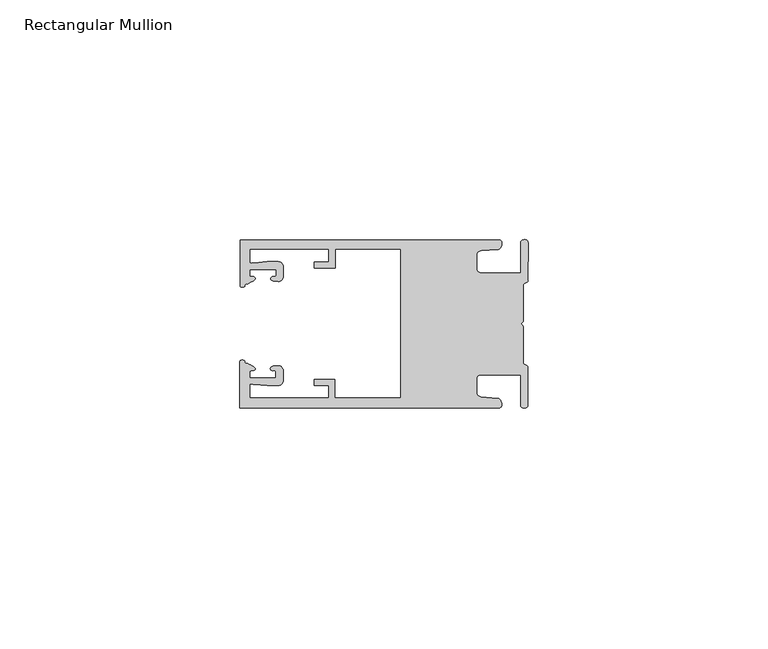
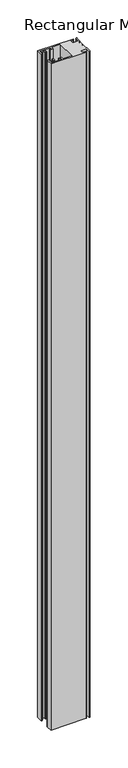
"""IFC4 building model written with IfcOpenShell, lengths in millimetres: member geometry, Rectangular Mullion."""

from ifc_helpers import new_model, si_unit, frame, origin, place, context, project, spatial, circle_curve, source, transform, mapped, element, save
from ifc_brep_helpers import plane_surface, cylinder_surface, extruded_surface, spline_curve, advanced_brep


def rectangular_mullion_0dcc9d94(model_context):
    return source(origin(), model_context, "Body", "AdvancedBrep", [
        advanced_brep(
        [(-60.0749377, 17.5111528, 0.0), (-60.0749377, 8.0140787, 0.0), (-59.3252567, 7.7187455, 0.0), (-58.4967974, 8.36785, 0.0), (-58.0726619, 10.1173923, 0.0), (-58.0713101, 11.3673916, 0.0), (-52.5713133, 11.3614437, 0.0), (-52.5726651, 10.1114444, 0.0), (-53.1427626, 8.8955539, 0.0), (-52.0740172, 8.8609044, 0.0), (-51.0729364, 9.8598224, 0.0), (-51.0706653, 11.9598211, 0.0), (-52.0700692, 12.9609024, 0.0), (-54.3905105, 12.9622843, 0.0), (-57.1599646, 12.7230061, 0.0), (-58.0696339, 12.9173907, 0.0), (-58.066768, 15.5673891, 0.0), (-41.5667584, 15.5673891, 0.0), (-41.5695894, 12.9495468, 0.0), (-44.5695877, 12.9527912, 0.0), (-44.5709936, 11.6527919, 0.0), (-40.2709961, 11.6481417, 0.0), (-40.2667576, 15.5673891, 0.0), (-26.6002952, 15.5673891, 0.0), (-26.6002952, -15.4518424, 0.0), (-40.3003032, -15.4518424, 0.0), (-40.2960856, -11.5518447, 0.0), (-44.5960831, -11.5471945, 0.0), (-44.597489, -12.8471938, 0.0), (-41.5974907, -12.8504381, 0.0), (-41.6003025, -15.4504366, 0.0), (-58.1002928, -15.4325927, 0.0), (-58.097427, -12.7825943, 0.0), (-57.1873395, -12.5901776, 0.0), (-54.4184094, -12.8354453, 0.0), (-52.0979705, -12.8390822, 0.0), (-51.0964037, -11.8401649, 0.0), (-51.0941327, -9.7401662, 0.0), (-52.0930507, -8.7390853, 0.0), (-53.1618685, -8.7714231, 0.0), (-52.5944022, -9.9885439, 0.0), (-52.595754, -11.2385431, 0.0), (-58.0957508, -11.2325952, 0.0), (-58.094399, -9.9825959, 0.0), (-58.5147494, -8.2321403, 0.0), (-59.3418028, -7.5812455, 0.0), (-60.0921208, -7.8749565, 0.0), (-60.0921208, -17.4888267, 0.0), (-6.1024861, -17.4888267, 0.0), (-6.5218639, -15.488372, 0.0), (-9.8784944, -15.2205466, 0.0), (-10.7989567, -14.2226333, 0.0), (-10.7961029, -11.5837474, 0.0), (-9.8734844, -10.5878272, 0.0), (-1.5950266, -10.5934991, 0.0), (-1.601948, -16.9936935, 0.0), (-0.1017194, -16.7830581, 0.0), (-0.0933208, -9.0170082, 0.0), (-1.0923837, -8.1499018, 0.0), (-1.0842165, -0.5977972, 0.0), (-1.0829111, 0.6093089, 0.0), (-1.0747439, 8.1614135, 0.0), (-0.0738079, 9.026357, 0.0), (-0.0654093, 16.7924069, 0.0), (-1.5651789, 17.0062866, 0.0), (-1.5651789, 10.6183257, 0.0), (-9.8505511, 10.6183257, 0.0), (-10.7710133, 11.6162391, 0.0), (-10.7681595, 14.255125, 0.0), (-9.845541, 15.2510452, 0.0), (-6.4883391, 15.5116099, 0.0), (-6.0646356, 17.5111528, 0.0), (-60.0749377, 17.5111528, -1075.5733037), (-6.0646356, 17.5111528, -1075.5733037), (-6.4883391, 15.5116099, -1075.5733037), (-9.845541, 15.2510452, -1075.5733037), (-10.7681595, 14.255125, -1075.5733037), (-10.7710133, 11.6162391, -1075.5733037), (-9.8505511, 10.6183257, -1075.5733037), (-1.5651789, 10.6183257, -1075.5733037), (-1.5651789, 17.0062866, -1075.5733037), (-0.0654093, 16.7924069, -1075.5733037), (-0.0738079, 9.026357, -1075.5733037), (-1.0747439, 8.1614135, -1075.5733037), (-1.0829111, 0.6093089, -1075.5733037), (-1.0842165, -0.5977972, -1075.5733037), (-1.0923837, -8.1499018, -1075.5733037), (-0.0933208, -9.0170082, -1075.5733037), (-0.1017194, -16.7830581, -1075.5733037), (-1.601948, -16.9936935, -1075.5733037), (-1.5950266, -10.5934991, -1075.5733037), (-9.8734844, -10.5878272, -1075.5733037), (-10.7961029, -11.5837474, -1075.5733037), (-10.7989567, -14.2226333, -1075.5733037), (-9.8784944, -15.2205466, -1075.5733037), (-6.5218639, -15.488372, -1075.5733037), (-6.1024861, -17.4888267, -1075.5733037), (-60.0921208, -17.4888267, -1075.5733037), (-60.0921208, -7.8749565, -1075.5733037), (-59.3418028, -7.5812455, -1075.5733037), (-58.5147494, -8.2321403, -1075.5733037), (-58.094399, -9.9825959, -1075.5733037), (-58.0957508, -11.2325952, -1075.5733037), (-52.595754, -11.2385431, -1075.5733037), (-52.5944022, -9.9885439, -1075.5733037), (-53.1618685, -8.7714231, -1075.5733037), (-52.0930507, -8.7390853, -1075.5733037), (-51.0941327, -9.7401662, -1075.5733037), (-51.0964037, -11.8401649, -1075.5733037), (-52.0979705, -12.8390823, -1075.5733037), (-54.4184094, -12.8354453, -1075.5733037), (-57.1873395, -12.5901776, -1075.5733037), (-58.097427, -12.7825943, -1075.5733037), (-58.1002928, -15.4325927, -1075.5733037), (-41.6003025, -15.4504366, -1075.5733037), (-41.5974907, -12.8504381, -1075.5733037), (-44.597489, -12.8471938, -1075.5733037), (-44.5960831, -11.5471945, -1075.5733037), (-40.2960856, -11.5518447, -1075.5733037), (-40.3003032, -15.4518424, -1075.5733037), (-26.6002952, -15.4518424, -1075.5733037), (-26.6002952, 15.5673891, -1075.5733037), (-40.2667576, 15.5673891, -1075.5733037), (-40.2709961, 11.6481417, -1075.5733037), (-44.5709936, 11.6527919, -1075.5733037), (-44.5695877, 12.9527912, -1075.5733037), (-41.5695894, 12.9495468, -1075.5733037), (-41.5667584, 15.5673891, -1075.5733037), (-58.066768, 15.5673891, -1075.5733037), (-58.0696339, 12.9173907, -1075.5733037), (-57.1599646, 12.7230061, -1075.5733037), (-54.3905105, 12.9622843, -1075.5733037), (-52.0700692, 12.9609023, -1075.5733037), (-51.0706653, 11.9598211, -1075.5733037), (-51.0729364, 9.8598224, -1075.5733037), (-52.0740172, 8.8609044, -1075.5733037), (-53.1427626, 8.8955539, -1075.5733037), (-52.5726651, 10.1114444, -1075.5733037), (-52.5713133, 11.3614437, -1075.5733037), (-58.0713101, 11.3673916, -1075.5733037), (-58.0726619, 10.1173923, -1075.5733037), (-58.4967974, 8.36785, -1075.5733037), (-59.3252567, 7.7187455, -1075.5733037), (-60.0749377, 8.0140787, -1075.5733037)],
        [
            (0, 1),
            (1, 2, spline_curve(3, [(-60.0749377, 8.0140787, 0.0), (-60.075233123, 7.740904774, 0.0), (-59.825339491, 7.642460332, 0.0), (-59.3252567, 7.7187455, 0.0)], [4, 4], [0.0, 0.0019169337574178654])),
            (2, 3, spline_curve(3, [(-59.3252567, 7.7187455, 0.0), (-59.094460914, 7.75918372, 0.0), (-59.054835463, 7.902257199, 0.0), (-59.05559987, 8.233305614, 0.0), (-59.138729113, 8.4134359, 0.0), (-58.4967974, 8.36785, 0.0)], [4, 2, 4], [0.0, 0.0010199524164107188, 0.0024874514725970356])),
            (3, 4, spline_curve(3, [(-58.4967974, 8.36785, 0.0), (-57.022393378, 9.053435667, 0.0), (-56.827266887, 9.364828726, 0.0), (-56.982213078, 9.742623404, 0.0), (-57.177375211, 9.855581791, 0.0), (-57.697928101, 9.887955071, 0.0), (-57.997449153, 9.835475348, 0.0), (-58.0726619, 10.1173923, 0.0)], [4, 2, 2, 4], [0.0, 0.003269869179570428, 0.005490050486237203, 0.0073545767114364426])),
            (4, 5),
            (5, 6),
            (6, 7),
            (7, 8, spline_curve(3, [(-52.5726651, 10.1114444, 0.0), (-52.667195519, 9.760172042, 0.0), (-52.937094388, 9.861877724, 0.0), (-53.356237032, 9.895631753, 0.0), (-53.491940439, 9.811038713, 0.0), (-53.761900775, 9.511438033, 0.0), (-53.892893546, 9.278787104, 0.0), (-53.1427626, 8.8955539, 0.0)], [4, 2, 2, 4], [0.0, 0.001593963049934732, 0.0033360256320283306, 0.005339140673503943])),
            (8, 9),
            (9, 10, circle_curve(frame((-52.0729358, 9.8609038, 0.0), z_axis=(0.0, 0.0, 1.0), x_axis=(-0.0010814451158600304, -0.9999994152380598, 0.0)), 1.0)),
            (10, 11),
            (11, 12, circle_curve(frame((-52.0706647, 11.9609026, 0.0), z_axis=(0.0, 0.0, 1.0), x_axis=(-0.0010814451158600304, -0.9999994152380598, 0.0)), 1.0)),
            (12, 13),
            (13, 14),
            (14, 15, spline_curve(3, [(-57.1599646, 12.7230061, 0.0), (-57.631533854, 12.682262968, 0.0), (-58.018602985, 12.477800124, 0.0), (-58.0696339, 12.9173907, 0.0)], [4, 4], [0.0, 0.0014803385355886016])),
            (15, 16),
            (16, 17),
            (17, 18),
            (18, 19),
            (19, 20),
            (20, 21),
            (21, 22),
            (22, 23),
            (23, 24),
            (24, 25),
            (25, 26),
            (26, 27),
            (27, 28),
            (28, 29),
            (29, 30),
            (30, 31),
            (31, 32),
            (32, 33, spline_curve(3, [(-58.097427, -12.7825943, 0.0), (-58.045445419, -12.343115126, 0.0), (-57.658819528, -12.548414611, 0.0), (-57.1873395, -12.5901776, 0.0)], [4, 4], [0.0, 0.0014803385355886016])),
            (33, 34),
            (34, 35),
            (35, 36, circle_curve(frame((-52.0964031, -11.8390835, 0.0), z_axis=(0.0, 0.0, 1.0), x_axis=(0.0010814451158600304, 0.9999994152380598, 0.0)), 1.0)),
            (36, 37),
            (37, 38, circle_curve(frame((-52.0941321, -9.7390847, 0.0), z_axis=(0.0, 0.0, 1.0), x_axis=(0.0010814451158600304, 0.9999994152380598, 0.0)), 1.0)),
            (38, 39),
            (39, 40, spline_curve(3, [(-53.1618685, -8.7714231, 0.0), (-53.912826582, -9.153032958, 0.0), (-53.782337352, -9.385966711, 0.0), (-53.51302565, -9.686150585, 0.0), (-53.377505444, -9.771037009, 0.0), (-52.958290774, -9.738189618, 0.0), (-52.688172635, -9.637067904, 0.0), (-52.5944022, -9.9885439, 0.0)], [4, 2, 2, 4], [0.0, 0.002003115041475612, 0.0037451776235692107, 0.005339140673503943])),
            (40, 41),
            (41, 42),
            (42, 43),
            (43, 44, spline_curve(3, [(-58.094399, -9.9825959, 0.0), (-58.018576674, -9.700842284, 0.0), (-57.719169706, -9.753969703, 0.0), (-57.198548014, -9.722722397, 0.0), (-57.003142178, -9.61018632, 0.0), (-56.847379222, -9.232727657, 0.0), (-57.041831673, -8.920913336, 0.0), (-58.5147494, -8.2321403, 0.0)], [4, 2, 2, 4], [0.0, 0.0018645262251992395, 0.004084707531866015, 0.0073545767114364426])),
            (44, 45, spline_curve(3, [(-58.5147494, -8.2321403, 0.0), (-59.156778208, -8.276337666, 0.0), (-59.073259494, -8.096387681, 0.0), (-59.071779067, -7.765341694, 0.0), (-59.111095017, -7.622182811, 0.0), (-59.3418028, -7.5812455, 0.0)], [4, 2, 4], [0.0, 0.0014674990561863168, 0.0024874514725970356])),
            (45, 46, spline_curve(3, [(-59.3418028, -7.5812455, 0.0), (-59.841719425, -7.503878887, 0.0), (-60.091825377, -7.601782574, 0.0), (-60.0921208, -7.8749565, 0.0)], [4, 4], [0.0, 0.0019169337574178654])),
            (46, 47),
            (47, 48),
            (48, 49, spline_curve(3, [(-6.1024861, -17.4888267, 0.0), (-5.074532184, -17.418062188, 0.0), (-5.631140689, -15.411414367, 0.0), (-6.5218639, -15.488372, 0.0)], [4, 4], [0.0, 0.0043819361547461745])),
            (49, 50),
            (50, 51, spline_curve(3, [(-9.8784944, -15.2205466, 0.0), (-10.440691543, -15.150698463, 0.0), (-10.74751234, -14.818060727, 0.0), (-10.7989567, -14.2226333, 0.0)], [4, 4], [0.0, 0.0028645797420738927])),
            (51, 52),
            (52, 53, spline_curve(3, [(-10.7961029, -11.5837474, 0.0), (-10.743370817, -10.988432634, 0.0), (-10.435831301, -10.656459204, 0.0), (-9.8734844, -10.5878272, 0.0)], [4, 4], [0.0, 0.0028645797420738927])),
            (53, 54),
            (54, 55),
            (55, 56, spline_curve(3, [(-1.601948, -16.9936935, 0.0), (-1.655676874, -17.600261454, 0.0), (-0.043737403, -17.912795581, 0.0), (-0.1017194, -16.7830581, 0.0)], [4, 4], [0.0, 0.0036987374396357936])),
            (56, 57),
            (57, 58, spline_curve(3, [(-0.0933208, -9.0170082, 0.0), (-0.018818183, -8.695886697, 0.0), (-1.193434327, -8.459763043, 0.0), (-1.0923837, -8.1499018, 0.0)], [4, 4], [0.0, 0.002027216749630121])),
            (58, 59),
            (59, 60, spline_curve(3, [(-1.0842165, -0.5977972, 0.0), (-1.013223198, -0.445980437, 0.0), (-1.487945123, -0.206736825, 0.0), (-1.487409651, 0.231097965, 0.0), (-0.999110985, 0.429090391, 0.0), (-1.0829111, 0.6093089, 0.0)], [4, 2, 4], [0.0, 0.00249866671847065, 0.005031402919736269])),
            (60, 61),
            (61, 62, spline_curve(3, [(-1.0747439, 8.1614135, 0.0), (-1.175124095, 8.47149258, 0.0), (-7e-09, 8.705075107, 0.0), (-0.0738079, 9.026357, 0.0)], [4, 4], [0.0, 0.002027216749630121])),
            (62, 63),
            (63, 64, spline_curve(3, [(-0.0654093, 16.7924069, 0.0), (-0.004983942, 17.92201633, 0.0), (-1.617595709, 17.612969344, 0.0), (-1.5651789, 17.0062866, 0.0)], [4, 4], [0.0, 0.0036987374396357936])),
            (64, 65),
            (65, 66),
            (66, 67, spline_curve(3, [(-9.8505511, 10.6183257, 0.0), (-10.412748243, 10.688173837, 0.0), (-10.71956894, 11.020811673, 0.0), (-10.7710133, 11.6162391, 0.0)], [4, 4], [0.0, 0.0028645797420738927])),
            (67, 68),
            (68, 69, spline_curve(3, [(-10.7681595, 14.255125, 0.0), (-10.715427417, 14.850439766, 0.0), (-10.407887901, 15.182413196, 0.0), (-9.845541, 15.2510452, 0.0)], [4, 4], [0.0, 0.0028645797420738927])),
            (69, 70),
            (70, 71, spline_curve(3, [(-6.4883391, 15.5116099, 0.0), (-5.597784423, 15.432725911, 0.0), (-5.036837144, 17.438165103, 0.0), (-6.0646356, 17.5111528, 0.0)], [4, 4], [0.0, 0.0043819361547461745])),
            (71, 0),
            (72, 73),
            (73, 74, spline_curve(3, [(-6.0646356, 17.5111528, -1075.5733037), (-5.036837144, 17.438165103, -1075.5733037), (-5.597784423, 15.432725911, -1075.5733037), (-6.4883391, 15.5116099, -1075.5733037)], [4, 4], [0.0, 0.0043819361547461745])),
            (74, 75),
            (75, 76, spline_curve(3, [(-9.845541, 15.2510452, -1075.5733037), (-10.407887901, 15.182413196, -1075.5733037), (-10.715427417, 14.850439766, -1075.5733037), (-10.7681595, 14.255125, -1075.5733037)], [4, 4], [0.0, 0.0028645797420738927])),
            (76, 77),
            (77, 78, spline_curve(3, [(-10.7710133, 11.6162391, -1075.5733037), (-10.71956894, 11.020811673, -1075.5733037), (-10.412748243, 10.688173837, -1075.5733037), (-9.8505511, 10.6183257, -1075.5733037)], [4, 4], [0.0, 0.0028645797420738927])),
            (78, 79),
            (79, 80),
            (80, 81, spline_curve(3, [(-1.5651789, 17.0062866, -1075.5733037), (-1.617595709, 17.612969344, -1075.5733037), (-0.004983942, 17.92201633, -1075.5733037), (-0.0654093, 16.7924069, -1075.5733037)], [4, 4], [0.0, 0.0036987374396357936])),
            (81, 82),
            (82, 83, spline_curve(3, [(-0.0738079, 9.026357, -1075.5733037), (-7e-09, 8.705075107, -1075.5733037), (-1.175124095, 8.47149258, -1075.5733037), (-1.0747439, 8.1614135, -1075.5733037)], [4, 4], [0.0, 0.002027216749630121])),
            (83, 84),
            (84, 85, spline_curve(3, [(-1.0829111, 0.6093089, -1075.5733037), (-0.999110985, 0.429090391, -1075.5733037), (-1.487409651, 0.231097965, -1075.5733037), (-1.487945123, -0.206736825, -1075.5733037), (-1.013223198, -0.445980437, -1075.5733037), (-1.0842165, -0.5977972, -1075.5733037)], [4, 2, 4], [0.0, 0.002532736201265619, 0.005031402919736269])),
            (85, 86),
            (86, 87, spline_curve(3, [(-1.0923837, -8.1499018, -1075.5733037), (-1.193434327, -8.459763043, -1075.5733037), (-0.018818183, -8.695886697, -1075.5733037), (-0.0933208, -9.0170082, -1075.5733037)], [4, 4], [0.0, 0.002027216749630121])),
            (87, 88),
            (88, 89, spline_curve(3, [(-0.1017194, -16.7830581, -1075.5733037), (-0.043737403, -17.912795581, -1075.5733037), (-1.655676874, -17.600261454, -1075.5733037), (-1.601948, -16.9936935, -1075.5733037)], [4, 4], [0.0, 0.0036987374396357936])),
            (89, 90),
            (90, 91),
            (91, 92, spline_curve(3, [(-9.8734844, -10.5878272, -1075.5733037), (-10.435831301, -10.656459204, -1075.5733037), (-10.743370817, -10.988432634, -1075.5733037), (-10.7961029, -11.5837474, -1075.5733037)], [4, 4], [0.0, 0.0028645797420738927])),
            (92, 93),
            (93, 94, spline_curve(3, [(-10.7989567, -14.2226333, -1075.5733037), (-10.74751234, -14.818060727, -1075.5733037), (-10.440691543, -15.150698463, -1075.5733037), (-9.8784944, -15.2205466, -1075.5733037)], [4, 4], [0.0, 0.0028645797420738927])),
            (94, 95),
            (95, 96, spline_curve(3, [(-6.5218639, -15.488372, -1075.5733037), (-5.631140689, -15.411414367, -1075.5733037), (-5.074532184, -17.418062188, -1075.5733037), (-6.1024861, -17.4888267, -1075.5733037)], [4, 4], [0.0, 0.0043819361547461745])),
            (96, 97),
            (97, 98),
            (98, 99, spline_curve(3, [(-60.0921208, -7.8749565, -1075.5733037), (-60.091825377, -7.601782574, -1075.5733037), (-59.841719425, -7.503878887, -1075.5733037), (-59.3418028, -7.5812455, -1075.5733037)], [4, 4], [0.0, 0.0019169337574178654])),
            (99, 100, spline_curve(3, [(-59.3418028, -7.5812455, -1075.5733037), (-59.111095017, -7.622182811, -1075.5733037), (-59.071779067, -7.765341694, -1075.5733037), (-59.073259494, -8.096387681, -1075.5733037), (-59.156778208, -8.276337666, -1075.5733037), (-58.5147494, -8.2321403, -1075.5733037)], [4, 2, 4], [0.0, 0.0010199524164107188, 0.0024874514725970356])),
            (100, 101, spline_curve(3, [(-58.5147494, -8.2321403, -1075.5733037), (-57.041831673, -8.920913336, -1075.5733037), (-56.847379222, -9.232727657, -1075.5733037), (-57.003142178, -9.61018632, -1075.5733037), (-57.198548014, -9.722722397, -1075.5733037), (-57.719169706, -9.753969703, -1075.5733037), (-58.018576674, -9.700842284, -1075.5733037), (-58.094399, -9.9825959, -1075.5733037)], [4, 2, 2, 4], [0.0, 0.003269869179570428, 0.005490050486237203, 0.0073545767114364426])),
            (101, 102),
            (102, 103),
            (103, 104),
            (104, 105, spline_curve(3, [(-52.5944022, -9.9885439, -1075.5733037), (-52.688172635, -9.637067904, -1075.5733037), (-52.958290774, -9.738189618, -1075.5733037), (-53.377505444, -9.771037009, -1075.5733037), (-53.51302565, -9.686150585, -1075.5733037), (-53.782337352, -9.385966711, -1075.5733037), (-53.912826582, -9.153032958, -1075.5733037), (-53.1618685, -8.7714231, -1075.5733037)], [4, 2, 2, 4], [0.0, 0.001593963049934732, 0.0033360256320283306, 0.005339140673503943])),
            (105, 106),
            (106, 107, circle_curve(frame((-52.0941321, -9.7390847, -1075.5733037), z_axis=(0.0, 0.0, -1.0), x_axis=(0.0010814451158600304, 0.9999994152380598, 0.0)), 1.0)),
            (107, 108),
            (108, 109, circle_curve(frame((-52.0964031, -11.8390835, -1075.5733037), z_axis=(0.0, 0.0, -1.0), x_axis=(0.0010814451158600304, 0.9999994152380598, 0.0)), 1.0)),
            (109, 110),
            (110, 111),
            (111, 112, spline_curve(3, [(-57.1873395, -12.5901776, -1075.5733037), (-57.658819528, -12.548414611, -1075.5733037), (-58.045445419, -12.343115126, -1075.5733037), (-58.097427, -12.7825943, -1075.5733037)], [4, 4], [0.0, 0.0014803385355886016])),
            (112, 113),
            (113, 114),
            (114, 115),
            (115, 116),
            (116, 117),
            (117, 118),
            (118, 119),
            (119, 120),
            (120, 121),
            (121, 122),
            (122, 123),
            (123, 124),
            (124, 125),
            (125, 126),
            (126, 127),
            (127, 128),
            (128, 129),
            (129, 130, spline_curve(3, [(-58.0696339, 12.9173907, -1075.5733037), (-58.018602985, 12.477800124, -1075.5733037), (-57.631533854, 12.682262968, -1075.5733037), (-57.1599646, 12.7230061, -1075.5733037)], [4, 4], [0.0, 0.0014803385355886016])),
            (130, 131),
            (131, 132),
            (132, 133, circle_curve(frame((-52.0706647, 11.9609026, -1075.5733037), z_axis=(0.0, 0.0, -1.0), x_axis=(-0.0010814451158600304, -0.9999994152380598, 0.0)), 1.0)),
            (133, 134),
            (134, 135, circle_curve(frame((-52.0729358, 9.8609038, -1075.5733037), z_axis=(0.0, 0.0, -1.0), x_axis=(-0.0010814451158600304, -0.9999994152380598, 0.0)), 1.0)),
            (135, 136),
            (136, 137, spline_curve(3, [(-53.1427626, 8.8955539, -1075.5733037), (-53.892893546, 9.278787104, -1075.5733037), (-53.761900775, 9.511438033, -1075.5733037), (-53.491940439, 9.811038713, -1075.5733037), (-53.356237032, 9.895631753, -1075.5733037), (-52.937094388, 9.861877724, -1075.5733037), (-52.667195519, 9.760172042, -1075.5733037), (-52.5726651, 10.1114444, -1075.5733037)], [4, 2, 2, 4], [0.0, 0.002003115041475612, 0.0037451776235692107, 0.005339140673503943])),
            (137, 138),
            (138, 139),
            (139, 140),
            (140, 141, spline_curve(3, [(-58.0726619, 10.1173923, -1075.5733037), (-57.997449153, 9.835475348, -1075.5733037), (-57.697928101, 9.887955071, -1075.5733037), (-57.177375211, 9.855581791, -1075.5733037), (-56.982213078, 9.742623404, -1075.5733037), (-56.827266887, 9.364828726, -1075.5733037), (-57.022393378, 9.053435667, -1075.5733037), (-58.4967974, 8.36785, -1075.5733037)], [4, 2, 2, 4], [0.0, 0.0018645262251992395, 0.004084707531866015, 0.0073545767114364426])),
            (141, 142, spline_curve(3, [(-58.4967974, 8.36785, -1075.5733037), (-59.138729113, 8.4134359, -1075.5733037), (-59.05559987, 8.233305614, -1075.5733037), (-59.054835463, 7.902257199, -1075.5733037), (-59.094460914, 7.75918372, -1075.5733037), (-59.3252567, 7.7187455, -1075.5733037)], [4, 2, 4], [0.0, 0.0014674990561863168, 0.0024874514725970356])),
            (142, 143, spline_curve(3, [(-59.3252567, 7.7187455, -1075.5733037), (-59.825339491, 7.642460332, -1075.5733037), (-60.075233123, 7.740904774, -1075.5733037), (-60.0749377, 8.0140787, -1075.5733037)], [4, 4], [0.0, 0.0019169337574178654])),
            (143, 72),
            (0, 72),
            (143, 1),
            (142, 2),
            (141, 3),
            (140, 4),
            (139, 5),
            (138, 6),
            (137, 7),
            (136, 8),
            (135, 9),
            (134, 10),
            (133, 11),
            (132, 12),
            (131, 13),
            (130, 14),
            (129, 15),
            (128, 16),
            (127, 17),
            (126, 18),
            (125, 19),
            (124, 20),
            (123, 21),
            (122, 22),
            (121, 23),
            (120, 24),
            (119, 25),
            (118, 26),
            (117, 27),
            (116, 28),
            (115, 29),
            (114, 30),
            (113, 31),
            (112, 32),
            (111, 33),
            (110, 34),
            (109, 35),
            (108, 36),
            (107, 37),
            (106, 38),
            (105, 39),
            (104, 40),
            (103, 41),
            (102, 42),
            (101, 43),
            (100, 44),
            (99, 45),
            (98, 46),
            (97, 47),
            (96, 48),
            (95, 49),
            (94, 50),
            (93, 51),
            (92, 52),
            (91, 53),
            (90, 54),
            (89, 55),
            (88, 56),
            (87, 57),
            (86, 58),
            (85, 59),
            (84, 60),
            (83, 61),
            (82, 62),
            (81, 63),
            (80, 64),
            (79, 65),
            (78, 66),
            (77, 67),
            (76, 68),
            (75, 69),
            (74, 70),
            (73, 71),
        ],
        [
            plane_surface(frame((0.0, -62.5853181, 0.0), z_axis=(0.0, 0.0, 1.0), x_axis=(-1.0, 0.0, 0.0))),
            plane_surface(frame((0.0, -62.5853181, -1075.5733037), z_axis=(0.0, 0.0, -1.0), x_axis=(-1.0, 0.0, 0.0))),
            plane_surface(frame((-60.0749377, 17.5111528, 0.0), z_axis=(-1.0, 0.0, 0.0), x_axis=(0.0, 0.0, -1.0))),
            extruded_surface(spline_curve(3, [(-60.0749377, 8.0140787, -1075.5733037), (-60.075233123, 7.740904774, -1075.5733037), (-59.825339491, 7.642460332, -1075.5733037), (-59.3252567, 7.7187455, -1075.5733037)], [4, 4], [0.0, 0.0019169337574178654]), (0.0, 0.0, 1075.5733037), 1075.5733037),
            extruded_surface(spline_curve(3, [(-59.3252567, 7.7187455, -1075.5733037), (-59.094460914, 7.75918372, -1075.5733037), (-59.054835463, 7.902257199, -1075.5733037), (-59.05559987, 8.233305614, -1075.5733037), (-59.138729113, 8.4134359, -1075.5733037), (-58.4967974, 8.36785, -1075.5733037)], [4, 2, 4], [0.0, 0.0010199524164107188, 0.0024874514725970356]), (0.0, 0.0, 1075.5733037), 1075.5733037),
            extruded_surface(spline_curve(3, [(-58.4967974, 8.36785, -1075.5733037), (-57.022393378, 9.053435667, -1075.5733037), (-56.827266887, 9.364828726, -1075.5733037), (-56.982213078, 9.742623404, -1075.5733037), (-57.177375211, 9.855581791, -1075.5733037), (-57.697928101, 9.887955071, -1075.5733037), (-57.997449153, 9.835475348, -1075.5733037), (-58.0726619, 10.1173923, -1075.5733037)], [4, 2, 2, 4], [0.0, 0.003269869179570428, 0.005490050486237203, 0.0073545767114364426]), (0.0, 0.0, 1075.5733037), 1075.5733037),
            plane_surface(frame((-58.0726619, 10.1173923, 0.0), z_axis=(0.9999994152380598, -0.0010814451158634145, 0.0), x_axis=(0.0, 0.0, -1.0))),
            plane_surface(frame((-58.0713101, 11.3673916, 0.0), z_axis=(-0.0010814451158616418, -0.9999994152380598, 0.0), x_axis=(0.0, 0.0, -1.0))),
            plane_surface(frame((-52.5713133, 11.3614437, 0.0), z_axis=(-0.9999994152380598, 0.0010814451158643293, 0.0), x_axis=(0.0, 0.0, -1.0))),
            extruded_surface(spline_curve(3, [(-52.5726651, 10.1114444, -1075.5733037), (-52.667195519, 9.760172042, -1075.5733037), (-52.937094388, 9.861877724, -1075.5733037), (-53.356237032, 9.895631753, -1075.5733037), (-53.491940439, 9.811038713, -1075.5733037), (-53.761900775, 9.511438033, -1075.5733037), (-53.892893546, 9.278787104, -1075.5733037), (-53.1427626, 8.8955539, -1075.5733037)], [4, 2, 2, 4], [0.0, 0.001593963049934732, 0.0033360256320283306, 0.005339140673503943]), (0.0, 0.0, 1075.5733037), 1075.5733037),
            plane_surface(frame((-53.1427626, 8.8955539, 0.0), z_axis=(-0.032403661401520414, -0.9994748634797054, 0.0), x_axis=(0.0, 0.0, -1.0))),
            cylinder_surface(frame((-52.0729358, 9.8609038, 0.0), z_axis=(0.0, 0.0, 1.0000000000000002), x_axis=(-0.0010814451158600304, -0.9999994152380598, 0.0)), 1.0),
            plane_surface(frame((-51.0729364, 9.8598224, 0.0), z_axis=(0.9999994152380598, -0.001081445115864059, 0.0), x_axis=(0.0, 0.0, -1.0))),
            cylinder_surface(frame((-52.0706647, 11.9609026, 0.0), z_axis=(0.0, 0.0, 1.0000000000000002), x_axis=(-0.0010814451158600304, -0.9999994152380598, 0.0)), 1.0),
            plane_surface(frame((-52.0700692, 12.9609023, 0.0), z_axis=(0.0005955716436318007, 0.999999822647193, 0.0), x_axis=(0.0, 0.0, -1.0))),
            plane_surface(frame((-54.3905105, 12.9622843, 0.0), z_axis=(-0.08607836189159865, 0.9962883697073147, 0.0), x_axis=(0.0, 0.0, -1.0))),
            extruded_surface(spline_curve(3, [(-57.1599646, 12.7230061, -1075.5733037), (-57.631533854, 12.682262968, -1075.5733037), (-58.018602985, 12.477800124, -1075.5733037), (-58.0696339, 12.9173907, -1075.5733037)], [4, 4], [0.0, 0.0014803385355886016]), (0.0, 0.0, 1075.5733037), 1075.5733037),
            plane_surface(frame((-58.0696339, 12.9173907, 0.0), z_axis=(0.9999994152380598, -0.0010814451158629996, 0.0), x_axis=(0.0, 0.0, -1.0))),
            plane_surface(frame((-58.066768, 15.5673891, 0.0), z_axis=(0.0, -1.0, 0.0), x_axis=(0.0, 0.0, -1.0))),
            plane_surface(frame((-41.5667584, 15.5673891, 0.0), z_axis=(-0.9999994152380598, 0.0010814451158636304, 0.0), x_axis=(0.0, 0.0, -1.0))),
            plane_surface(frame((-41.5695894, 12.9495468, 0.0), z_axis=(0.0010814451158615687, 0.9999994152380598, 0.0), x_axis=(0.0, 0.0, -1.0))),
            plane_surface(frame((-44.5695877, 12.9527912, 0.0), z_axis=(-0.9999994152380598, 0.0010814451158626742, 0.0), x_axis=(0.0, 0.0, -1.0))),
            plane_surface(frame((-44.5709936, 11.6527919, 0.0), z_axis=(-0.001081445115861604, -0.9999994152380598, 0.0), x_axis=(0.0, 0.0, -1.0))),
            plane_surface(frame((-40.2709961, 11.6481417, 0.0), z_axis=(0.9999994152380598, -0.001081445115863507, 0.0), x_axis=(0.0, 0.0, -1.0))),
            plane_surface(frame((-40.2667576, 15.5673891, 0.0), z_axis=(0.0, -1.0, 0.0), x_axis=(0.0, 0.0, -1.0))),
            plane_surface(frame((-26.6002952, 15.5673891, 0.0), z_axis=(-1.0, 0.0, 0.0), x_axis=(0.0, 0.0, -1.0))),
            plane_surface(frame((-26.6002952, -15.4518424, 0.0), z_axis=(0.0, 1.0, 0.0), x_axis=(0.0, 0.0, -1.0))),
            plane_surface(frame((-40.3003032, -15.4518424, 0.0), z_axis=(0.9999994152380598, -0.0010814451158565538, 0.0), x_axis=(0.0, 0.0, -1.0))),
            plane_surface(frame((-40.2960856, -11.5518447, 0.0), z_axis=(0.0010814451158584568, 0.9999994152380598, 0.0), x_axis=(0.0, 0.0, -1.0))),
            plane_surface(frame((-44.5960831, -11.5471945, 0.0), z_axis=(-0.9999994152380598, 0.0010814451158573867, 0.0), x_axis=(0.0, 0.0, -1.0))),
            plane_surface(frame((-44.597489, -12.8471938, 0.0), z_axis=(-0.0010814451158584922, -0.9999994152380598, 0.0), x_axis=(0.0, 0.0, -1.0))),
            plane_surface(frame((-41.5974907, -12.8504381, 0.0), z_axis=(-0.9999994152380598, 0.0010814451158564305, 0.0), x_axis=(0.0, 0.0, -1.0))),
            plane_surface(frame((-41.6003025, -15.4504366, 0.0), z_axis=(0.0010814451158583872, 0.9999994152380598, 0.0), x_axis=(0.0, 0.0, -1.0))),
            plane_surface(frame((-58.1002928, -15.4325927, 0.0), z_axis=(0.9999994152380598, -0.0010814451158570612, 0.0), x_axis=(0.0, 0.0, -1.0))),
            extruded_surface(spline_curve(3, [(-58.097427, -12.7825943, -1075.5733037), (-58.045445419, -12.343115126, -1075.5733037), (-57.658819528, -12.548414611, -1075.5733037), (-57.1873395, -12.5901776, -1075.5733037)], [4, 4], [0.0, 0.0014803385355886016]), (0.0, 0.0, 1075.5733037), 1075.5733037),
            plane_surface(frame((-57.1873395, -12.5901776, 0.0), z_axis=(-0.0882330216729926, -0.9960998614026876, 0.0), x_axis=(0.0, 0.0, -1.0))),
            plane_surface(frame((-54.4184094, -12.8354453, 0.0), z_axis=(-0.0015673183327880543, -0.9999987717558677, 0.0), x_axis=(0.0, 0.0, -1.0))),
            cylinder_surface(frame((-52.0964031, -11.8390835, 0.0), z_axis=(0.0, 0.0, 1.0000000000000002), x_axis=(0.0010814451158600304, 0.9999994152380598, 0.0)), 1.0),
            plane_surface(frame((-51.0964037, -11.8401649, 0.0), z_axis=(0.9999994152380598, -0.001081445115856002, 0.0), x_axis=(0.0, 0.0, -1.0))),
            cylinder_surface(frame((-52.0941321, -9.7390847, 0.0), z_axis=(0.0, 0.0, 1.0000000000000002), x_axis=(0.0010814451158600304, 0.9999994152380598, 0.0)), 1.0),
            plane_surface(frame((-52.0930507, -8.7390853, 0.0), z_axis=(-0.030241832452872642, 0.9995426111826812, 0.0), x_axis=(0.0, 0.0, -1.0))),
            extruded_surface(spline_curve(3, [(-53.1618685, -8.7714231, -1075.5733037), (-53.912826582, -9.153032958, -1075.5733037), (-53.782337352, -9.385966711, -1075.5733037), (-53.51302565, -9.686150585, -1075.5733037), (-53.377505444, -9.771037009, -1075.5733037), (-52.958290774, -9.738189618, -1075.5733037), (-52.688172635, -9.637067904, -1075.5733037), (-52.5944022, -9.9885439, -1075.5733037)], [4, 2, 2, 4], [0.0, 0.002003115041475612, 0.0037451776235692107, 0.005339140673503943]), (0.0, 0.0, 1075.5733037), 1075.5733037),
            plane_surface(frame((-52.5944022, -9.9885439, 0.0), z_axis=(-0.9999994152380598, 0.0010814451158557316, 0.0), x_axis=(0.0, 0.0, -1.0))),
            plane_surface(frame((-52.595754, -11.2385431, 0.0), z_axis=(0.001081445115858419, 0.9999994152380598, 0.0), x_axis=(0.0, 0.0, -1.0))),
            plane_surface(frame((-58.0957508, -11.2325952, 0.0), z_axis=(0.9999994152380598, -0.0010814451158566464, 0.0), x_axis=(0.0, 0.0, -1.0))),
            extruded_surface(spline_curve(3, [(-58.094399, -9.9825959, -1075.5733037), (-58.018576674, -9.700842284, -1075.5733037), (-57.719169706, -9.753969703, -1075.5733037), (-57.198548014, -9.722722397, -1075.5733037), (-57.003142178, -9.61018632, -1075.5733037), (-56.847379222, -9.232727657, -1075.5733037), (-57.041831673, -8.920913336, -1075.5733037), (-58.5147494, -8.2321403, -1075.5733037)], [4, 2, 2, 4], [0.0, 0.0018645262251992395, 0.004084707531866015, 0.0073545767114364426]), (0.0, 0.0, 1075.5733037), 1075.5733037),
            extruded_surface(spline_curve(3, [(-58.5147494, -8.2321403, -1075.5733037), (-59.156778208, -8.276337666, -1075.5733037), (-59.073259494, -8.096387681, -1075.5733037), (-59.071779067, -7.765341694, -1075.5733037), (-59.111095017, -7.622182811, -1075.5733037), (-59.3418028, -7.5812455, -1075.5733037)], [4, 2, 4], [0.0, 0.0014674990561863168, 0.0024874514725970356]), (0.0, 0.0, 1075.5733037), 1075.5733037),
            extruded_surface(spline_curve(3, [(-59.3418028, -7.5812455, -1075.5733037), (-59.841719425, -7.503878887, -1075.5733037), (-60.091825377, -7.601782574, -1075.5733037), (-60.0921208, -7.8749565, -1075.5733037)], [4, 4], [0.0, 0.0019169337574178654]), (0.0, 0.0, 1075.5733037), 1075.5733037),
            plane_surface(frame((-60.0921208, -7.8749565, 0.0), z_axis=(-1.0, 0.0, 0.0), x_axis=(0.0, 0.0, -1.0))),
            plane_surface(frame((-60.0921208, -17.4888267, 0.0), z_axis=(0.0, -1.0, 0.0), x_axis=(0.0, 0.0, -1.0))),
            extruded_surface(spline_curve(3, [(-6.1024861, -17.4888267, -1075.5733037), (-5.074532184, -17.418062188, -1075.5733037), (-5.631140689, -15.411414367, -1075.5733037), (-6.5218639, -15.488372, -1075.5733037)], [4, 4], [0.0, 0.0043819361547461745]), (0.0, 0.0, 1075.5733037), 1075.5733037),
            plane_surface(frame((-6.5218639, -15.488372, 0.0), z_axis=(0.07953716124904908, 0.9968319015663789, 0.0), x_axis=(0.0, 0.0, -1.0))),
            extruded_surface(spline_curve(3, [(-9.8784944, -15.2205466, -1075.5733037), (-10.440691543, -15.150698463, -1075.5733037), (-10.74751234, -14.818060727, -1075.5733037), (-10.7989567, -14.2226333, -1075.5733037)], [4, 4], [0.0, 0.0028645797420738927]), (0.0, 0.0, 1075.5733037), 1075.5733037),
            plane_surface(frame((-10.7989567, -14.2226333, 0.0), z_axis=(0.9999994152380598, -0.0010814451158568247, 0.0), x_axis=(0.0, 0.0, -1.0))),
            extruded_surface(spline_curve(3, [(-10.7961029, -11.5837474, -1075.5733037), (-10.743370817, -10.988432634, -1075.5733037), (-10.435831301, -10.656459204, -1075.5733037), (-9.8734844, -10.5878272, -1075.5733037)], [4, 4], [0.0, 0.0028645797420738927]), (0.0, 0.0, 1075.5733037), 1075.5733037),
            plane_surface(frame((-9.8734844, -10.5878272, 0.0), z_axis=(-0.0006851371995361226, -0.9999997652934814, 0.0), x_axis=(0.0, 0.0, -1.0))),
            plane_surface(frame((-1.5950266, -10.5934991, 0.0), z_axis=(-0.9999994152380598, 0.0010814451158568644, 0.0), x_axis=(0.0, 0.0, -1.0))),
            extruded_surface(spline_curve(3, [(-1.601948, -16.9936935, -1075.5733037), (-1.655676874, -17.600261454, -1075.5733037), (-0.043737403, -17.912795581, -1075.5733037), (-0.1017194, -16.7830581, -1075.5733037)], [4, 4], [0.0, 0.0036987374396357936]), (0.0, 0.0, 1075.5733037), 1075.5733037),
            plane_surface(frame((-0.1017194, -16.7830581, 0.0), z_axis=(0.9999994152380598, -0.001081445115856699, 0.0), x_axis=(0.0, 0.0, -1.0))),
            extruded_surface(spline_curve(3, [(-0.0933208, -9.0170082, -1075.5733037), (-0.018818183, -8.695886697, -1075.5733037), (-1.193434327, -8.459763043, -1075.5733037), (-1.0923837, -8.1499018, -1075.5733037)], [4, 4], [0.0, 0.002027216749630121]), (0.0, 0.0, 1075.5733037), 1075.5733037),
            plane_surface(frame((-1.0923837, -8.1499018, 0.0), z_axis=(0.9999994152380598, -0.0010814451158566698, 0.0), x_axis=(0.0, 0.0, -1.0))),
            extruded_surface(spline_curve(3, [(-1.0842165, -0.5977972, -1075.5733037), (-1.013223198, -0.445980437, -1075.5733037), (-1.487945123, -0.206736825, -1075.5733037), (-1.487409651, 0.231097965, -1075.5733037), (-0.999110985, 0.429090391, -1075.5733037), (-1.0829111, 0.6093089, -1075.5733037)], [4, 2, 4], [0.0, 0.00249866671847065, 0.005031402919736269]), (0.0, 0.0, 1075.5733037), 1075.5733037),
            plane_surface(frame((-1.0829111, 0.6093089, 0.0), z_axis=(0.9999994152380598, -0.001081445115863391, 0.0), x_axis=(0.0, 0.0, -1.0))),
            extruded_surface(spline_curve(3, [(-1.0747439, 8.1614135, -1075.5733037), (-1.175124095, 8.47149258, -1075.5733037), (-7e-09, 8.705075107, -1075.5733037), (-0.0738079, 9.026357, -1075.5733037)], [4, 4], [0.0, 0.002027216749630121]), (0.0, 0.0, 1075.5733037), 1075.5733037),
            plane_surface(frame((-0.0738079, 9.026357, 0.0), z_axis=(0.9999994152380598, -0.001081445115863362, 0.0), x_axis=(0.0, 0.0, -1.0))),
            extruded_surface(spline_curve(3, [(-0.0654093, 16.7924069, -1075.5733037), (-0.004983942, 17.92201633, -1075.5733037), (-1.617595709, 17.612969344, -1075.5733037), (-1.5651789, 17.0062866, -1075.5733037)], [4, 4], [0.0, 0.0036987374396357936]), (0.0, 0.0, 1075.5733037), 1075.5733037),
            plane_surface(frame((-1.5651789, 17.0062866, 0.0), z_axis=(-1.0, 0.0, 0.0), x_axis=(0.0, 0.0, -1.0))),
            plane_surface(frame((-1.5651789, 10.6183257, 0.0), z_axis=(0.0, 1.0, 0.0), x_axis=(0.0, 0.0, -1.0))),
            extruded_surface(spline_curve(3, [(-9.8505511, 10.6183257, -1075.5733037), (-10.412748243, 10.688173837, -1075.5733037), (-10.71956894, 11.020811673, -1075.5733037), (-10.7710133, 11.6162391, -1075.5733037)], [4, 4], [0.0, 0.0028645797420738927]), (0.0, 0.0, 1075.5733037), 1075.5733037),
            plane_surface(frame((-10.7710133, 11.6162391, 0.0), z_axis=(0.9999994152380598, -0.0010814451158632362, 0.0), x_axis=(0.0, 0.0, -1.0))),
            extruded_surface(spline_curve(3, [(-10.7681595, 14.255125, -1075.5733037), (-10.715427417, 14.850439766, -1075.5733037), (-10.407887901, 15.182413196, -1075.5733037), (-9.845541, 15.2510452, -1075.5733037)], [4, 4], [0.0, 0.0028645797420738927]), (0.0, 0.0, 1075.5733037), 1075.5733037),
            plane_surface(frame((-9.845541, 15.2510452, 0.0), z_axis=(0.07738093848608862, -0.9970015999781607, 0.0), x_axis=(0.0, 0.0, -1.0))),
            extruded_surface(spline_curve(3, [(-6.4883391, 15.5116099, -1075.5733037), (-5.597784423, 15.432725911, -1075.5733037), (-5.036837144, 17.438165103, -1075.5733037), (-6.0646356, 17.5111528, -1075.5733037)], [4, 4], [0.0, 0.0043819361547461745]), (0.0, 0.0, 1075.5733037), 1075.5733037),
            plane_surface(frame((-6.0646356, 17.5111528, 0.0), z_axis=(0.0, 1.0, 0.0), x_axis=(0.0, 0.0, -1.0))),
        ],
        [
            (0, [[1, 2, 3, 4, 5, 6, 7, 8, 9, 10, 11, 12, 13, 14, 15, 16, 17, 18, 19, 20, 21, 22, 23, 24, 25, 26, 27, 28, 29, 30, 31, 32, 33, 34, 35, 36, 37, 38, 39, 40, 41, 42, 43, 44, 45, 46, 47, 48, 49, 50, 51, 52, 53, 54, 55, 56, 57, 58, 59, 60, 61, 62, 63, 64, 65, 66, 67, 68, 69, 70, 71, 72]]),
            (1, [[73, 74, 75, 76, 77, 78, 79, 80, 81, 82, 83, 84, 85, 86, 87, 88, 89, 90, 91, 92, 93, 94, 95, 96, 97, 98, 99, 100, 101, 102, 103, 104, 105, 106, 107, 108, 109, 110, 111, 112, 113, 114, 115, 116, 117, 118, 119, 120, 121, 122, 123, 124, 125, 126, 127, 128, 129, 130, 131, 132, 133, 134, 135, 136, 137, 138, 139, 140, 141, 142, 143, 144]]),
            (2, [[-1, 145, -144, 146]]),
            (3, [[-2, -146, -143, 147]]),
            (4, [[-3, -147, -142, 148]]),
            (5, [[-4, -148, -141, 149]]),
            (6, [[-5, -149, -140, 150]]),
            (7, [[-6, -150, -139, 151]]),
            (8, [[-7, -151, -138, 152]]),
            (9, [[-8, -152, -137, 153]]),
            (10, [[-9, -153, -136, 154]]),
            (11, [[-10, -154, -135, 155]]),
            (12, [[-11, -155, -134, 156]]),
            (13, [[-12, -156, -133, 157]]),
            (14, [[-13, -157, -132, 158]]),
            (15, [[-14, -158, -131, 159]]),
            (16, [[-15, -159, -130, 160]]),
            (17, [[-16, -160, -129, 161]]),
            (18, [[-17, -161, -128, 162]]),
            (19, [[-18, -162, -127, 163]]),
            (20, [[-19, -163, -126, 164]]),
            (21, [[-20, -164, -125, 165]]),
            (22, [[-21, -165, -124, 166]]),
            (23, [[-22, -166, -123, 167]]),
            (24, [[-23, -167, -122, 168]]),
            (25, [[-24, -168, -121, 169]]),
            (26, [[-25, -169, -120, 170]]),
            (27, [[-26, -170, -119, 171]]),
            (28, [[-27, -171, -118, 172]]),
            (29, [[-28, -172, -117, 173]]),
            (30, [[-29, -173, -116, 174]]),
            (31, [[-30, -174, -115, 175]]),
            (32, [[-31, -175, -114, 176]]),
            (33, [[-32, -176, -113, 177]]),
            (34, [[-33, -177, -112, 178]]),
            (35, [[-34, -178, -111, 179]]),
            (36, [[-35, -179, -110, 180]]),
            (37, [[-36, -180, -109, 181]]),
            (38, [[-37, -181, -108, 182]]),
            (39, [[-38, -182, -107, 183]]),
            (40, [[-39, -183, -106, 184]]),
            (41, [[-40, -184, -105, 185]]),
            (42, [[-41, -185, -104, 186]]),
            (43, [[-42, -186, -103, 187]]),
            (44, [[-43, -187, -102, 188]]),
            (45, [[-44, -188, -101, 189]]),
            (46, [[-45, -189, -100, 190]]),
            (47, [[-46, -190, -99, 191]]),
            (48, [[-47, -191, -98, 192]]),
            (49, [[-48, -192, -97, 193]]),
            (50, [[-49, -193, -96, 194]]),
            (51, [[-50, -194, -95, 195]]),
            (52, [[-51, -195, -94, 196]]),
            (53, [[-52, -196, -93, 197]]),
            (54, [[-53, -197, -92, 198]]),
            (55, [[-54, -198, -91, 199]]),
            (56, [[-55, -199, -90, 200]]),
            (57, [[-56, -200, -89, 201]]),
            (58, [[-57, -201, -88, 202]]),
            (59, [[-58, -202, -87, 203]]),
            (60, [[-59, -203, -86, 204]]),
            (61, [[-60, -204, -85, 205]]),
            (62, [[-61, -205, -84, 206]]),
            (63, [[-62, -206, -83, 207]]),
            (64, [[-63, -207, -82, 208]]),
            (65, [[-64, -208, -81, 209]]),
            (66, [[-65, -209, -80, 210]]),
            (67, [[-66, -210, -79, 211]]),
            (68, [[-67, -211, -78, 212]]),
            (69, [[-68, -212, -77, 213]]),
            (70, [[-69, -213, -76, 214]]),
            (71, [[-70, -214, -75, 215]]),
            (72, [[-71, -215, -74, 216]]),
            (73, [[-72, -216, -73, -145]]),
        ],
    ),
    ])


if __name__ == "__main__":
    model = new_model("IFC4")
    model_context = context("Model", 3, world=origin())
    ifc_project = project(units=[si_unit("LENGTHUNIT", "METRE", prefix="MILLI")], contexts=[model_context])
    site = spatial("IfcSite", under=ifc_project)
    building = spatial("IfcBuilding", under=site)
    placement = place(None, origin())
    rectangular_mullion_shape = rectangular_mullion_0dcc9d94(model_context)
    element("IfcMember", 1, ObjectType="Rectangular Mullion", at=placement, inside=building, context=model_context, shape_type="MappedRepresentation", body=[
        mapped(rectangular_mullion_shape, transform((0.0, 0.0, 0.0), x_axis=(1.0, 0.0, 0.0), y_axis=(0.0, 1.0, 0.0), z_axis=(0.0, 0.0, 1.0))),
    ])
    save(model, "model.ifc")
